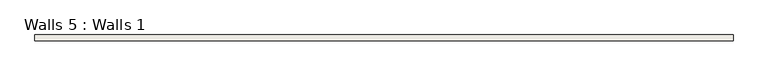
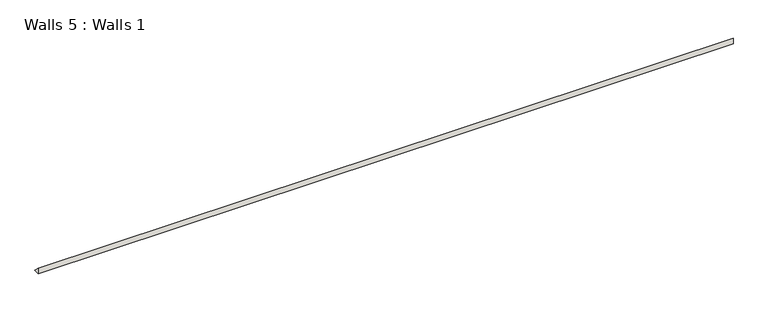
"""IFC4 building model written with IfcOpenShell, lengths in millimetres: wall geometry, Walls 5 : Walls 1."""

from ifc_helpers import new_model, si_unit, frame, origin, place, context, project, spatial, polyline, outline, extrude, source, transform, mapped, element, save


def walls_5_walls_1_590b2480(model_context):
    return source(origin(), model_context, "Body", "SweptSolid", [
        extrude(outline(polyline([(2859.4836331, 19.05), (2878.5336331, 0.0), (2859.4836331, 0.0), (2859.4836331, 19.05)])), frame((-951.7491178, 0.0, 0.0), z_axis=(1.0, 0.0, 0.0), x_axis=(0.0, 1.0, 0.0)), (0.0, 0.0, 1.0), 2286.0),
    ])


if __name__ == "__main__":
    model = new_model("IFC4")
    model_context = context("Model", 3, world=origin())
    ifc_project = project(units=[si_unit("LENGTHUNIT", "METRE", prefix="MILLI")], contexts=[model_context])
    site = spatial("IfcSite", under=ifc_project)
    building = spatial("IfcBuilding", under=site)
    placement = place(None, origin())
    walls_5_walls_1_shape = walls_5_walls_1_590b2480(model_context)
    element("IfcWall", 1, ObjectType="Walls 5 : Walls 1", at=placement, inside=building, context=model_context, shape_type="MappedRepresentation", body=[
        mapped(walls_5_walls_1_shape, transform((0.0, 0.0, 0.0), x_axis=(1.0, 0.0, 0.0), y_axis=(0.0, 1.0, 0.0), z_axis=(0.0, 0.0, 1.0))),
    ])
    save(model, "model.ifc")
